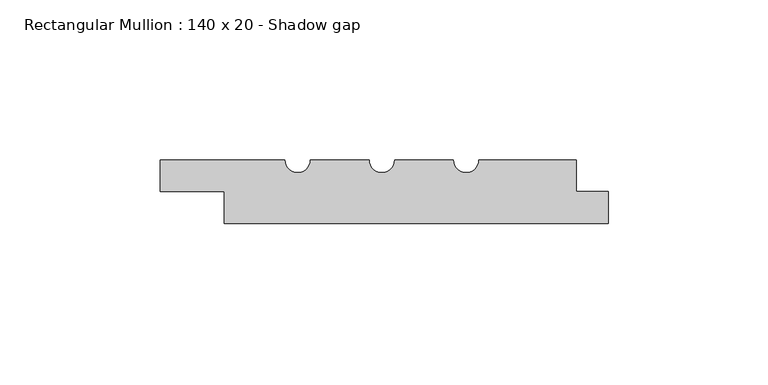
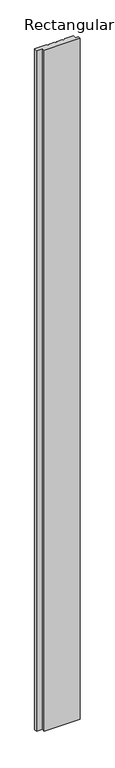
"""IFC4 building model written with IfcOpenShell, lengths in millimetres: member geometry, Rectangular Mullion : 140 x 20 - Shadow gap."""

import ifcopenshell
import ifcopenshell.guid

model = None  # the IFC model being written
_history = None  # IfcOwnerHistory: only IFC2X3 demands one
_inside = {}  # id of a spatial element -> (the spatial element, [elements in it])
_under = {}  # id of a project, library or spatial element -> (it, [spatial elements below it])
_declared = {}  # id of a project -> (the project, [libraries it declares])
_typed = {}  # id of a type object -> (the type object, [elements of that type])
_made_of = {}  # id of a material, layer set ... -> (it, [elements and type objects made of it])


def new_model(schema):
    """Start an empty IFC model of exactly this schema.

    Asked for "IFC4X3", IfcOpenShell would pick the latest addendum, in which some entities
    have other attributes; the version numbers below select the first issue.
    IFC2X3 requires an IfcOwnerHistory on every rooted entity: one is made here for all.
    """
    global model, _history
    if schema == "IFC4X3":
        model = ifcopenshell.file(schema_version=(4, 3, 0, 0))
    else:
        model = ifcopenshell.file(schema=schema)
    _inside.clear()
    _under.clear()
    _declared.clear()
    _typed.clear()
    _made_of.clear()
    _history = None
    if model.schema == "IFC2X3":
        org = make("IfcOrganization", Name="unknown")
        user = make(
            "IfcPersonAndOrganization",
            ThePerson=make("IfcPerson", FamilyName="unknown"),
            TheOrganization=org,
        )
        app = make(
            "IfcApplication",
            ApplicationDeveloper=org,
            Version="unknown",
            ApplicationFullName="unknown",
            ApplicationIdentifier="unknown",
        )
        _history = make(
            "IfcOwnerHistory",
            OwningUser=user,
            OwningApplication=app,
            ChangeAction="ADDED",
            CreationDate=0,
        )
    return model


def make(cls, **values):
    """One entity of the class cls with the attributes given. An attribute that is None is left unset."""
    return model.create_entity(
        cls, **{name: value for name, value in values.items() if value is not None}
    )


def rooted(cls, **values):
    """An entity with a GlobalId (a new one), such as an element, a storey or a relation."""
    return make(cls, GlobalId=ifcopenshell.guid.new(), OwnerHistory=_history, **values)


def si_unit(unit_type, name, prefix=None):
    """IfcSIUnit, for example si_unit("LENGTHUNIT", "METRE", prefix="MILLI")."""
    return make("IfcSIUnit", UnitType=unit_type, Prefix=prefix, Name=name)


def assignment(units):
    """IfcUnitAssignment: the units of a project."""
    return None if units is None else make("IfcUnitAssignment", Units=units)


def point(xyz):
    """IfcCartesianPoint."""
    return None if xyz is None else make("IfcCartesianPoint", Coordinates=xyz)


def direction(xyz):
    """IfcDirection."""
    return None if xyz is None else make("IfcDirection", DirectionRatios=xyz)


def frame(location, z_axis=None, x_axis=None):
    """IfcAxis2Placement3D, a coordinate frame: its origin and axes. An axis left out is left unset."""
    return make(
        "IfcAxis2Placement3D",
        Location=point(location),
        Axis=direction(z_axis),
        RefDirection=direction(x_axis),
    )


def frame_2d(location, x_axis=None):
    """IfcAxis2Placement2D, a coordinate frame in the plane: its origin and x axis."""
    return make(
        "IfcAxis2Placement2D", Location=point(location), RefDirection=direction(x_axis)
    )


def origin():
    """The frame at (0, 0, 0) with its axes left unset."""
    return frame((0.0, 0.0, 0.0))


def place(relative_to, where):
    """IfcLocalPlacement: puts the frame where relative to a parent placement (None: the world)."""
    return make(
        "IfcLocalPlacement", PlacementRelTo=relative_to, RelativePlacement=where
    )


def context(
    kind, dimensions, precision=None, world=None, true_north=None, identifier=None
):
    """IfcGeometricRepresentationContext, for example the 3D "Model" context."""
    return make(
        "IfcGeometricRepresentationContext",
        ContextIdentifier=identifier,
        ContextType=kind,
        CoordinateSpaceDimension=dimensions,
        Precision=precision,
        WorldCoordinateSystem=world,
        TrueNorth=true_north,
    )


def project(units=None, contexts=None):
    """IfcProject with its units and contexts."""
    return rooted(
        "IfcProject",
        Name="project",
        RepresentationContexts=contexts,
        UnitsInContext=assignment(units),
    )


def spatial(cls, under=None, at=None, **own):
    """A site, building, storey or space (cls), placed at a placement, below another one or the project."""
    s = rooted(cls, ObjectPlacement=at, **own)
    if under is not None:
        _under.setdefault(under.id(), (under, []))[1].append(s)
    return s


def polyline(points):
    """IfcPolyline through the points."""
    return make("IfcPolyline", Points=[point(p) for p in points])


def circle_curve(where, radius):
    """IfcCircle in the frame where."""
    return make("IfcCircle", Position=where, Radius=radius)


def trimmed(basis, trim1, trim2, sense, master):
    """IfcTrimmedCurve: the piece of a basis curve between two trims."""
    return make(
        "IfcTrimmedCurve",
        BasisCurve=basis,
        Trim1=trim1,
        Trim2=trim2,
        SenseAgreement=sense,
        MasterRepresentation=master,
    )


def segment(curve, same_sense, transition):
    """IfcCompositeCurveSegment."""
    return make(
        "IfcCompositeCurveSegment",
        Transition=transition,
        SameSense=same_sense,
        ParentCurve=curve,
    )


def composite_curve(segments, self_intersect=None):
    """IfcCompositeCurve: segments joined end to end."""
    return make("IfcCompositeCurve", Segments=segments, SelfIntersect=self_intersect)


def outline(outer, holes=None, kind="AREA"):
    """IfcArbitraryClosedProfileDef: a profile drawn as a closed curve; with holes, ...WithVoids."""
    if holes is None:
        return make("IfcArbitraryClosedProfileDef", ProfileType=kind, OuterCurve=outer)
    return make(
        "IfcArbitraryProfileDefWithVoids",
        ProfileType=kind,
        OuterCurve=outer,
        InnerCurves=holes,
    )


def extrude(swept, where, along, depth):
    """IfcExtrudedAreaSolid: the profile swept, set in the frame where, extruded along a direction by depth."""
    return make(
        "IfcExtrudedAreaSolid",
        SweptArea=swept,
        Position=where,
        ExtrudedDirection=direction(along),
        Depth=depth,
    )


def shape(context_of_items, identifier, shape_type, items):
    """IfcShapeRepresentation: the items that make up one representation, for example the "Body"."""
    return make(
        "IfcShapeRepresentation",
        ContextOfItems=context_of_items,
        RepresentationIdentifier=identifier,
        RepresentationType=shape_type,
        Items=items,
    )


def source(mapping_origin, context_of_items, identifier, shape_type, items):
    """IfcRepresentationMap: a shape defined once, which mapped items show again and again."""
    return make(
        "IfcRepresentationMap",
        MappingOrigin=mapping_origin,
        MappedRepresentation=shape(context_of_items, identifier, shape_type, items),
    )


def transform(
    local_origin,
    x_axis=None,
    y_axis=None,
    z_axis=None,
    scale=None,
    scale2=None,
    scale3=None,
    uniform=True,
):
    """IfcCartesianTransformationOperator3D, or its non-uniform kind. x_axis, y_axis, z_axis: its Axis1, 2, 3."""
    if uniform:
        return make(
            "IfcCartesianTransformationOperator3D",
            Axis1=direction(x_axis),
            Axis2=direction(y_axis),
            LocalOrigin=point(local_origin),
            Scale=scale,
            Axis3=direction(z_axis),
        )
    return make(
        "IfcCartesianTransformationOperator3DnonUniform",
        Axis1=direction(x_axis),
        Axis2=direction(y_axis),
        LocalOrigin=point(local_origin),
        Scale=scale,
        Axis3=direction(z_axis),
        Scale2=scale2,
        Scale3=scale3,
    )


def mapped(mapping_source, mapping_target):
    """IfcMappedItem: shows the shape of a source again, moved by a transform."""
    return make(
        "IfcMappedItem", MappingSource=mapping_source, MappingTarget=mapping_target
    )


def made_of(thing, what):
    """Note that an element or type object is made of a material, layer set ...; save() writes the relation."""
    if what is not None:
        _made_of.setdefault(what.id(), (what, []))[1].append(thing)
    return thing


def element(
    cls,
    number,
    at=None,
    inside=None,
    cuts=None,
    type_object=None,
    material=None,
    context=None,
    identifier="Body",
    shape_type=None,
    held_by="IfcProductDefinitionShape",
    body=None,
    shapes=None,
    **own,
):
    """One element of the class cls, such as IfcWall. Its Tag is "e" and its number.

    at: its placement. inside: the storey or other place that contains it. cuts: it is an
    opening in that element (IfcRelVoidsElement). A single representation is given by context,
    identifier, shape_type and body (its items); several are given by shapes. held_by: the class
    of the entity that holds the representations. save() writes the other relations.
    """
    e = rooted(cls, Tag="e%d" % number, ObjectPlacement=at, **own)
    if body is not None:
        shapes = [shape(context, identifier, shape_type, body)]
    if shapes is not None:
        e.Representation = make(held_by, Representations=shapes)
    if inside is not None:
        _inside.setdefault(inside.id(), (inside, []))[1].append(e)
    if cuts is not None:
        rooted(
            "IfcRelVoidsElement", RelatingBuildingElement=cuts, RelatedOpeningElement=e
        )
    if type_object is not None:
        _typed.setdefault(type_object.id(), (type_object, []))[1].append(e)
    return made_of(e, material)


def aggregate(whole, parts):
    """IfcRelAggregates: a whole, such as a stair, and the parts it consists of."""
    return rooted("IfcRelAggregates", RelatingObject=whole, RelatedObjects=parts)


def save(model, path):
    """Write the relations noted so far, then the file.

    IfcRelAggregates (storeys below a building ...), IfcRelContainedInSpatialStructure (elements
    in a storey), IfcRelDefinesByType, IfcRelAssociatesMaterial and IfcRelDeclares: one each for
    every whole, place, type object, material and project.
    """
    for whole, parts in _under.values():
        aggregate(whole, parts)
    for where, things in _inside.values():
        rooted(
            "IfcRelContainedInSpatialStructure",
            RelatedElements=things,
            RelatingStructure=where,
        )
    for kind, things in _typed.values():
        rooted("IfcRelDefinesByType", RelatedObjects=things, RelatingType=kind)
    for what, things in _made_of.values():
        rooted("IfcRelAssociatesMaterial", RelatedObjects=things, RelatingMaterial=what)
    for by, libraries in _declared.values():
        rooted("IfcRelDeclares", RelatingContext=by, RelatedDefinitions=libraries)
    model.write(path)


def rectangular_mullion_140_x_20_shadow_gap_be0326da(model_context):
    return source(origin(), model_context, "Body", "SweptSolid", [
        extrude(outline(composite_curve([segment(polyline([(-40.3418977, 0.0), (-10.0, 0.0), (-10.0, -10.0), (0.0, -10.0), (0.0, -20.0), (-120.0, -20.0), (-120.0, -10.0), (-140.0, -10.0), (-140.0, 0.0), (-101.0, 0.0)]), True, "CONTINUOUS"), segment(trimmed(circle_curve(frame_2d((-97.0, 0.0)), 4.0), [point((-101.0, 0.0))], [point((-93.0, 0.0))], True, "CARTESIAN"), True, "CONTINUOUS"), segment(polyline([(-93.0, 0.0), (-74.6755708, 0.0)]), True, "CONTINUOUS"), segment(trimmed(circle_curve(frame_2d((-70.6755708, 0.0)), 4.0), [point((-74.6755708, 0.0))], [point((-66.6755708, 0.0))], True, "CARTESIAN"), True, "CONTINUOUS"), segment(polyline([(-66.6755708, 0.0), (-48.3418977, 0.0)]), True, "CONTINUOUS"), segment(trimmed(circle_curve(frame_2d((-44.3418977, 0.0)), 4.0), [point((-48.3418977, 0.0))], [point((-40.3418977, 0.0))], True, "CARTESIAN"), True, "CONTINUOUS")], self_intersect=False)), frame((0.0, 0.0, -2400.0), z_axis=(0.0, 0.0, 1.0), x_axis=(1.0, 0.0, 0.0)), (0.0, 0.0, 1.0), 2400.0),
    ])


if __name__ == "__main__":
    model = new_model("IFC4")
    model_context = context("Model", 3, world=origin())
    ifc_project = project(units=[si_unit("LENGTHUNIT", "METRE", prefix="MILLI")], contexts=[model_context])
    site = spatial("IfcSite", under=ifc_project)
    building = spatial("IfcBuilding", under=site)
    placement = place(None, origin())
    rectangular_mullion_140_x_20_shadow_gap_shape = rectangular_mullion_140_x_20_shadow_gap_be0326da(model_context)
    element("IfcMember", 1, ObjectType="Rectangular Mullion : 140 x 20 - Shadow gap", at=placement, inside=building, context=model_context, shape_type="MappedRepresentation", body=[
        mapped(rectangular_mullion_140_x_20_shadow_gap_shape, transform((0.0, 0.0, 0.0), x_axis=(1.0, 0.0, 0.0), y_axis=(0.0, 1.0, 0.0), z_axis=(0.0, 0.0, 1.0))),
    ])
    save(model, "model.ifc")
